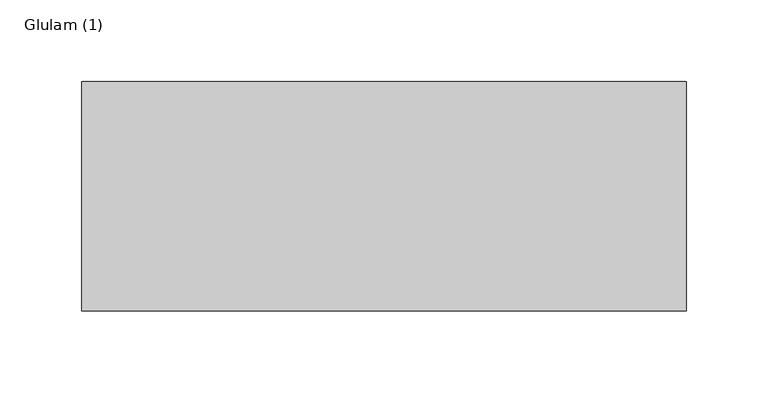
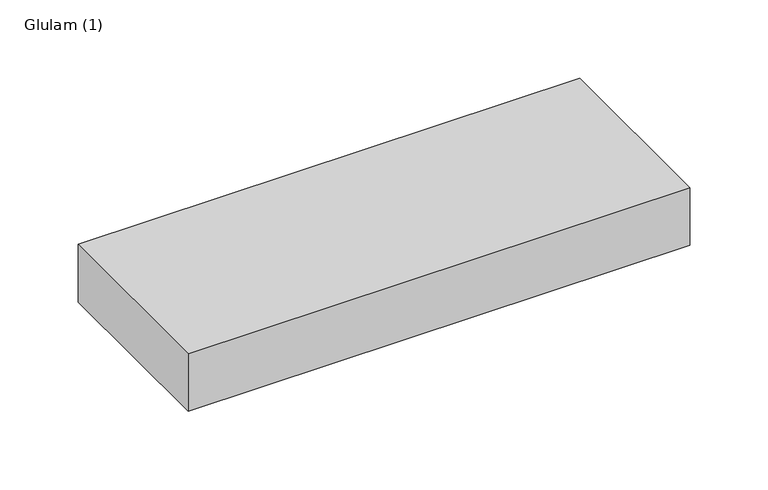
"""IFC4 building model written with IfcOpenShell, lengths in millimetres: beam geometry, Glulam (1)."""

import ifcopenshell
import ifcopenshell.guid

model = None  # the IFC model being written
_history = None  # IfcOwnerHistory: only IFC2X3 demands one
_inside = {}  # id of a spatial element -> (the spatial element, [elements in it])
_under = {}  # id of a project, library or spatial element -> (it, [spatial elements below it])
_declared = {}  # id of a project -> (the project, [libraries it declares])
_typed = {}  # id of a type object -> (the type object, [elements of that type])
_made_of = {}  # id of a material, layer set ... -> (it, [elements and type objects made of it])


def new_model(schema):
    """Start an empty IFC model of exactly this schema.

    Asked for "IFC4X3", IfcOpenShell would pick the latest addendum, in which some entities
    have other attributes; the version numbers below select the first issue.
    IFC2X3 requires an IfcOwnerHistory on every rooted entity: one is made here for all.
    """
    global model, _history
    if schema == "IFC4X3":
        model = ifcopenshell.file(schema_version=(4, 3, 0, 0))
    else:
        model = ifcopenshell.file(schema=schema)
    _inside.clear()
    _under.clear()
    _declared.clear()
    _typed.clear()
    _made_of.clear()
    _history = None
    if model.schema == "IFC2X3":
        org = make("IfcOrganization", Name="unknown")
        user = make(
            "IfcPersonAndOrganization",
            ThePerson=make("IfcPerson", FamilyName="unknown"),
            TheOrganization=org,
        )
        app = make(
            "IfcApplication",
            ApplicationDeveloper=org,
            Version="unknown",
            ApplicationFullName="unknown",
            ApplicationIdentifier="unknown",
        )
        _history = make(
            "IfcOwnerHistory",
            OwningUser=user,
            OwningApplication=app,
            ChangeAction="ADDED",
            CreationDate=0,
        )
    return model


def make(cls, **values):
    """One entity of the class cls with the attributes given. An attribute that is None is left unset."""
    return model.create_entity(
        cls, **{name: value for name, value in values.items() if value is not None}
    )


def rooted(cls, **values):
    """An entity with a GlobalId (a new one), such as an element, a storey or a relation."""
    return make(cls, GlobalId=ifcopenshell.guid.new(), OwnerHistory=_history, **values)


def si_unit(unit_type, name, prefix=None):
    """IfcSIUnit, for example si_unit("LENGTHUNIT", "METRE", prefix="MILLI")."""
    return make("IfcSIUnit", UnitType=unit_type, Prefix=prefix, Name=name)


def assignment(units):
    """IfcUnitAssignment: the units of a project."""
    return None if units is None else make("IfcUnitAssignment", Units=units)


def point(xyz):
    """IfcCartesianPoint."""
    return None if xyz is None else make("IfcCartesianPoint", Coordinates=xyz)


def direction(xyz):
    """IfcDirection."""
    return None if xyz is None else make("IfcDirection", DirectionRatios=xyz)


def frame(location, z_axis=None, x_axis=None):
    """IfcAxis2Placement3D, a coordinate frame: its origin and axes. An axis left out is left unset."""
    return make(
        "IfcAxis2Placement3D",
        Location=point(location),
        Axis=direction(z_axis),
        RefDirection=direction(x_axis),
    )


def origin():
    """The frame at (0, 0, 0) with its axes left unset."""
    return frame((0.0, 0.0, 0.0))


def place(relative_to, where):
    """IfcLocalPlacement: puts the frame where relative to a parent placement (None: the world)."""
    return make(
        "IfcLocalPlacement", PlacementRelTo=relative_to, RelativePlacement=where
    )


def context(
    kind, dimensions, precision=None, world=None, true_north=None, identifier=None
):
    """IfcGeometricRepresentationContext, for example the 3D "Model" context."""
    return make(
        "IfcGeometricRepresentationContext",
        ContextIdentifier=identifier,
        ContextType=kind,
        CoordinateSpaceDimension=dimensions,
        Precision=precision,
        WorldCoordinateSystem=world,
        TrueNorth=true_north,
    )


def project(units=None, contexts=None):
    """IfcProject with its units and contexts."""
    return rooted(
        "IfcProject",
        Name="project",
        RepresentationContexts=contexts,
        UnitsInContext=assignment(units),
    )


def spatial(cls, under=None, at=None, **own):
    """A site, building, storey or space (cls), placed at a placement, below another one or the project."""
    s = rooted(cls, ObjectPlacement=at, **own)
    if under is not None:
        _under.setdefault(under.id(), (under, []))[1].append(s)
    return s


def polyline(points):
    """IfcPolyline through the points."""
    return make("IfcPolyline", Points=[point(p) for p in points])


def outline(outer, holes=None, kind="AREA"):
    """IfcArbitraryClosedProfileDef: a profile drawn as a closed curve; with holes, ...WithVoids."""
    if holes is None:
        return make("IfcArbitraryClosedProfileDef", ProfileType=kind, OuterCurve=outer)
    return make(
        "IfcArbitraryProfileDefWithVoids",
        ProfileType=kind,
        OuterCurve=outer,
        InnerCurves=holes,
    )


def extrude(swept, where, along, depth):
    """IfcExtrudedAreaSolid: the profile swept, set in the frame where, extruded along a direction by depth."""
    return make(
        "IfcExtrudedAreaSolid",
        SweptArea=swept,
        Position=where,
        ExtrudedDirection=direction(along),
        Depth=depth,
    )


def shape(context_of_items, identifier, shape_type, items):
    """IfcShapeRepresentation: the items that make up one representation, for example the "Body"."""
    return make(
        "IfcShapeRepresentation",
        ContextOfItems=context_of_items,
        RepresentationIdentifier=identifier,
        RepresentationType=shape_type,
        Items=items,
    )


def source(mapping_origin, context_of_items, identifier, shape_type, items):
    """IfcRepresentationMap: a shape defined once, which mapped items show again and again."""
    return make(
        "IfcRepresentationMap",
        MappingOrigin=mapping_origin,
        MappedRepresentation=shape(context_of_items, identifier, shape_type, items),
    )


def transform(
    local_origin,
    x_axis=None,
    y_axis=None,
    z_axis=None,
    scale=None,
    scale2=None,
    scale3=None,
    uniform=True,
):
    """IfcCartesianTransformationOperator3D, or its non-uniform kind. x_axis, y_axis, z_axis: its Axis1, 2, 3."""
    if uniform:
        return make(
            "IfcCartesianTransformationOperator3D",
            Axis1=direction(x_axis),
            Axis2=direction(y_axis),
            LocalOrigin=point(local_origin),
            Scale=scale,
            Axis3=direction(z_axis),
        )
    return make(
        "IfcCartesianTransformationOperator3DnonUniform",
        Axis1=direction(x_axis),
        Axis2=direction(y_axis),
        LocalOrigin=point(local_origin),
        Scale=scale,
        Axis3=direction(z_axis),
        Scale2=scale2,
        Scale3=scale3,
    )


def mapped(mapping_source, mapping_target):
    """IfcMappedItem: shows the shape of a source again, moved by a transform."""
    return make(
        "IfcMappedItem", MappingSource=mapping_source, MappingTarget=mapping_target
    )


def made_of(thing, what):
    """Note that an element or type object is made of a material, layer set ...; save() writes the relation."""
    if what is not None:
        _made_of.setdefault(what.id(), (what, []))[1].append(thing)
    return thing


def element(
    cls,
    number,
    at=None,
    inside=None,
    cuts=None,
    type_object=None,
    material=None,
    context=None,
    identifier="Body",
    shape_type=None,
    held_by="IfcProductDefinitionShape",
    body=None,
    shapes=None,
    **own,
):
    """One element of the class cls, such as IfcWall. Its Tag is "e" and its number.

    at: its placement. inside: the storey or other place that contains it. cuts: it is an
    opening in that element (IfcRelVoidsElement). A single representation is given by context,
    identifier, shape_type and body (its items); several are given by shapes. held_by: the class
    of the entity that holds the representations. save() writes the other relations.
    """
    e = rooted(cls, Tag="e%d" % number, ObjectPlacement=at, **own)
    if body is not None:
        shapes = [shape(context, identifier, shape_type, body)]
    if shapes is not None:
        e.Representation = make(held_by, Representations=shapes)
    if inside is not None:
        _inside.setdefault(inside.id(), (inside, []))[1].append(e)
    if cuts is not None:
        rooted(
            "IfcRelVoidsElement", RelatingBuildingElement=cuts, RelatedOpeningElement=e
        )
    if type_object is not None:
        _typed.setdefault(type_object.id(), (type_object, []))[1].append(e)
    return made_of(e, material)


def aggregate(whole, parts):
    """IfcRelAggregates: a whole, such as a stair, and the parts it consists of."""
    return rooted("IfcRelAggregates", RelatingObject=whole, RelatedObjects=parts)


def save(model, path):
    """Write the relations noted so far, then the file.

    IfcRelAggregates (storeys below a building ...), IfcRelContainedInSpatialStructure (elements
    in a storey), IfcRelDefinesByType, IfcRelAssociatesMaterial and IfcRelDeclares: one each for
    every whole, place, type object, material and project.
    """
    for whole, parts in _under.values():
        aggregate(whole, parts)
    for where, things in _inside.values():
        rooted(
            "IfcRelContainedInSpatialStructure",
            RelatedElements=things,
            RelatingStructure=where,
        )
    for kind, things in _typed.values():
        rooted("IfcRelDefinesByType", RelatedObjects=things, RelatingType=kind)
    for what, things in _made_of.values():
        rooted("IfcRelAssociatesMaterial", RelatedObjects=things, RelatingMaterial=what)
    for by, libraries in _declared.values():
        rooted("IfcRelDeclares", RelatingContext=by, RelatedDefinitions=libraries)
    model.write(path)


def glulam_1_05377a5b(model_context):
    return source(origin(), model_context, "Body", "SweptSolid", [
        extrude(outline(polyline([(184.5, 70.0), (184.5, -70.0), (-184.5, -70.0), (-184.5, 70.0), (184.5, 70.0)])), frame((0.0, 0.0, -22.5), z_axis=(0.0, 0.0, 1.0), x_axis=(1.0, 0.0, 0.0)), (0.0, 0.0, 1.0), 45.0),
    ])


if __name__ == "__main__":
    model = new_model("IFC4")
    model_context = context("Model", 3, world=origin())
    ifc_project = project(units=[si_unit("LENGTHUNIT", "METRE", prefix="MILLI")], contexts=[model_context])
    site = spatial("IfcSite", under=ifc_project)
    building = spatial("IfcBuilding", under=site)
    placement = place(None, origin())
    glulam_1_shape = glulam_1_05377a5b(model_context)
    element("IfcBeam", 1, ObjectType="Glulam (1)", at=placement, inside=building, context=model_context, shape_type="MappedRepresentation", body=[
        mapped(glulam_1_shape, transform((0.0, 0.0, 0.0), x_axis=(1.0, 0.0, 0.0), y_axis=(0.0, 1.0, 0.0), z_axis=(0.0, 0.0, 1.0))),
    ])
    save(model, "model.ifc")
